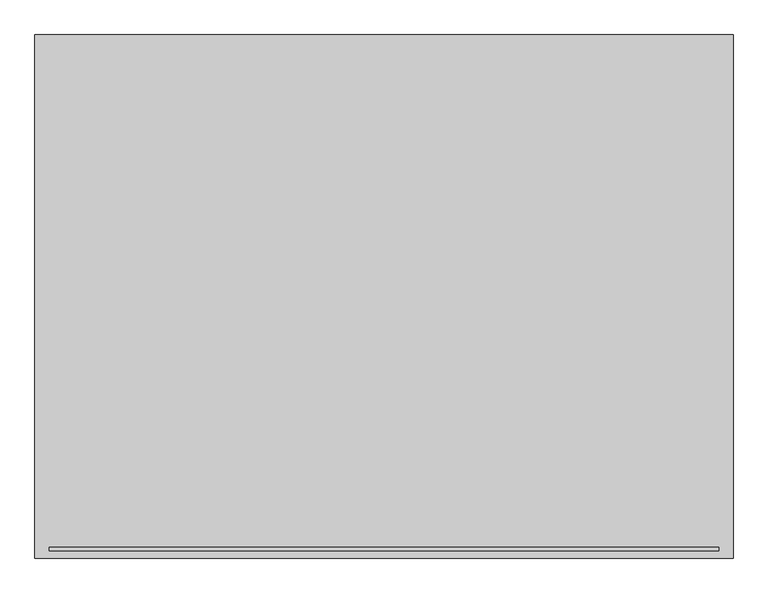
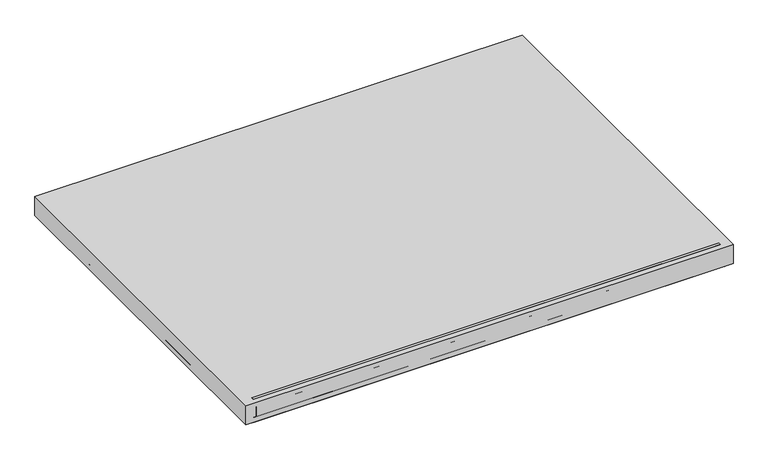
"""IFC4 building model written with IfcOpenShell, lengths in millimetres: proxy geometry."""

from ifc_helpers import new_model, si_unit, point, frame, frame_2d, origin, origin_with_axes, place, context, project, spatial, polyline, circle_curve, trimmed, segment, composite_curve, outline, extrude, source, transform, mapped, element, save


def specialty_equipment_d43642da(model_context):
    return source(origin(), model_context, "Body", "SweptSolid", [
        extrude(outline(polyline([(609.6, 457.2), (609.6, -457.2), (-609.6, -457.2), (-609.6, 457.2), (609.6, 457.2)])), origin_with_axes(), (0.0, 0.0, 1.0), 50.8),
        extrude(outline(composite_curve([segment(trimmed(circle_curve(frame_2d((571.5, -419.1)), 12.7), [point((584.2, -419.1))], [point((571.5, -431.8))], False, "CARTESIAN"), True, "CONTINUOUS"), segment(polyline([(571.5, -431.8), (-571.5, -431.8)]), True, "CONTINUOUS"), segment(trimmed(circle_curve(frame_2d((-571.5, -419.1)), 12.7), [point((-571.5, -431.8))], [point((-584.2, -419.1))], False, "CARTESIAN"), True, "CONTINUOUS"), segment(polyline([(-584.2, -419.1), (-584.2, 419.1)]), True, "CONTINUOUS"), segment(trimmed(circle_curve(frame_2d((-571.5, 419.1)), 12.7), [point((-584.2, 419.1))], [point((-571.5, 431.8))], False, "CARTESIAN"), True, "CONTINUOUS"), segment(polyline([(-571.5, 431.8), (571.5, 431.8)]), True, "CONTINUOUS"), segment(trimmed(circle_curve(frame_2d((571.5, 419.1)), 12.7), [point((571.5, 431.8))], [point((584.2, 419.1))], False, "CARTESIAN"), True, "CONTINUOUS"), segment(polyline([(584.2, 419.1), (584.2, -419.1)]), True, "CONTINUOUS")], self_intersect=False)), origin_with_axes(), (0.0, 0.0, 1.0), 6.6972656),
        extrude(outline(polyline([(-438.15, 51.4978879), (-438.15, 13.3978879), (-457.2, 13.3978879), (-457.2, 38.7978879), (-450.85, 38.7978879), (-450.85, 45.1478879), (-444.5, 45.1478879), (-444.5, 51.4978879), (-438.15, 51.4978879)])), frame((-584.2, 0.0, 0.0), z_axis=(1.0, 0.0, 0.0), x_axis=(0.0, 1.0, 0.0)), (0.0, 0.0, 1.0), 1168.4),
        extrude(outline(composite_curve([segment(trimmed(circle_curve(frame_2d((584.2, 431.8)), 25.4), [point((584.2, 457.2))], [point((609.6, 431.8))], False, "CARTESIAN"), True, "CONTINUOUS"), segment(polyline([(609.6, 431.8), (609.6, -431.8)]), True, "CONTINUOUS"), segment(trimmed(circle_curve(frame_2d((584.2, -431.8)), 25.4), [point((609.6, -431.8))], [point((584.2, -457.2))], False, "CARTESIAN"), True, "CONTINUOUS"), segment(polyline([(584.2, -457.2), (-589.1477625, -457.2)]), True, "CONTINUOUS"), segment(trimmed(circle_curve(frame_2d((-589.1477625, -436.7477625)), 20.4522375), [point((-589.1477625, -457.2))], [point((-609.6, -436.7477625))], False, "CARTESIAN"), True, "CONTINUOUS"), segment(polyline([(-609.6, -436.7477625), (-609.6, 436.7477625)]), True, "CONTINUOUS"), segment(trimmed(circle_curve(frame_2d((-589.1477625, 436.7477625)), 20.4522375), [point((-609.6, 436.7477625))], [point((-589.1477625, 457.2))], False, "CARTESIAN"), True, "CONTINUOUS"), segment(polyline([(-589.1477625, 457.2), (584.2, 457.2)]), True, "CONTINUOUS")], self_intersect=False), holes=[composite_curve([segment(polyline([(571.5, 431.8), (-571.5, 431.8)]), True, "CONTINUOUS"), segment(trimmed(circle_curve(frame_2d((-571.5, 419.1)), 12.7), [point((-571.5, 431.8))], [point((-584.2, 419.1))], True, "CARTESIAN"), True, "CONTINUOUS"), segment(polyline([(-584.2, 419.1), (-584.2, -419.1)]), True, "CONTINUOUS"), segment(trimmed(circle_curve(frame_2d((-571.5, -419.1)), 12.7), [point((-584.2, -419.1))], [point((-571.5, -431.8))], True, "CARTESIAN"), True, "CONTINUOUS"), segment(polyline([(-571.5, -431.8), (571.5, -431.8)]), True, "CONTINUOUS"), segment(trimmed(circle_curve(frame_2d((571.5, -419.1)), 12.7), [point((571.5, -431.8))], [point((584.2, -419.1))], True, "CARTESIAN"), True, "CONTINUOUS"), segment(polyline([(584.2, -419.1), (584.2, 419.1)]), True, "CONTINUOUS"), segment(trimmed(circle_curve(frame_2d((571.5, 419.1)), 12.7), [point((584.2, 419.1))], [point((571.5, 431.8))], True, "CARTESIAN"), True, "CONTINUOUS")], self_intersect=False)]), origin_with_axes(), (0.0, 0.0, 1.0), 13.3978879),
    ])


if __name__ == "__main__":
    model = new_model("IFC4")
    model_context = context("Model", 3, world=origin())
    ifc_project = project(units=[si_unit("LENGTHUNIT", "METRE", prefix="MILLI")], contexts=[model_context])
    site = spatial("IfcSite", under=ifc_project)
    building = spatial("IfcBuilding", under=site)
    placement = place(None, origin())
    specialty_equipment_shape = specialty_equipment_d43642da(model_context)
    element("IfcBuildingElementProxy", 1, Name="Specialty Equipment", at=placement, inside=building, context=model_context, shape_type="MappedRepresentation", body=[
        mapped(specialty_equipment_shape, transform((0.0, 0.0, 0.0), x_axis=(1.0, 0.0, 0.0), y_axis=(0.0, 1.0, 0.0), z_axis=(0.0, 0.0, 1.0))),
    ])
    save(model, "model.ifc")
